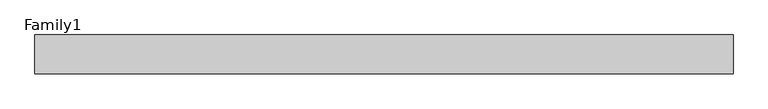
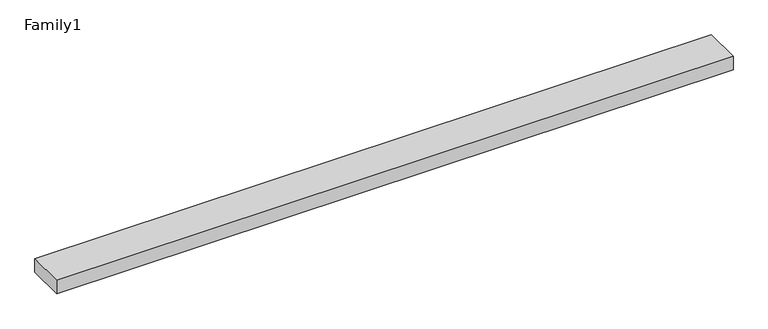
"""IFC4 building model written with IfcOpenShell, lengths in millimetres: proxy geometry, Family1."""

from ifc_helpers import new_model, si_unit, origin, origin_with_axes, place, context, project, spatial, polyline, outline, extrude, source, transform, mapped, element, save


def family1_74b1ac30(model_context):
    return source(origin(), model_context, "Body", "SweptSolid", [
        extrude(outline(polyline([(90000.0, 0.0), (0.0, 0.0), (0.0, 5000.0), (90000.0, 5000.0), (90000.0, 0.0)])), origin_with_axes(), (0.0, 0.0, 1.0), 1898.0),
    ])


if __name__ == "__main__":
    model = new_model("IFC4")
    model_context = context("Model", 3, world=origin())
    ifc_project = project(units=[si_unit("LENGTHUNIT", "METRE", prefix="MILLI")], contexts=[model_context])
    site = spatial("IfcSite", under=ifc_project)
    building = spatial("IfcBuilding", under=site)
    placement = place(None, origin())
    family1_shape = family1_74b1ac30(model_context)
    element("IfcBuildingElementProxy", 1, Name="Family1", ObjectType="Family1", at=placement, inside=building, context=model_context, shape_type="MappedRepresentation", body=[
        mapped(family1_shape, transform((0.0, 0.0, 0.0), x_axis=(1.0, 0.0, 0.0), y_axis=(0.0, 1.0, 0.0), z_axis=(0.0, 0.0, 1.0))),
    ])
    save(model, "model.ifc")
